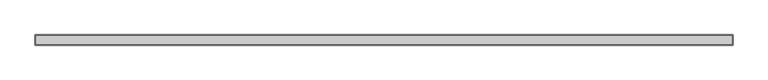
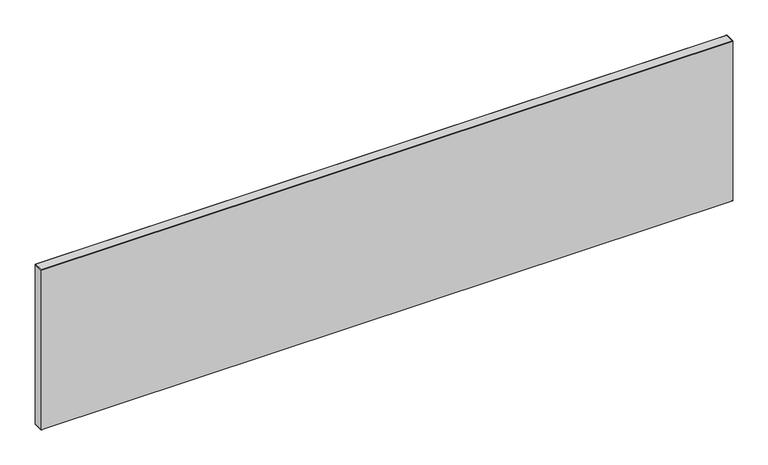
"""IFC4 building model written with IfcOpenShell, lengths in millimetres: furniture geometry."""

from ifc_helpers import new_model, si_unit, origin, place, context, project, spatial, triangles, source, transform, mapped, element, save


def furniture_2753c0be(model_context):
    return source(origin(), model_context, "Body", "Tessellation", [
        triangles([(1675.6379826, -0.762, 409.575), (1675.6379826, 0.0, 408.8129826), (0.762, 0.0, 408.8129826), (0.762, -0.762, 409.575), (0.762, -24.6379992, 409.575), (0.0, -0.762, 408.8129826), (0.0, -24.6379992, 408.8129826), (0.762, -25.4000008, 408.8129826), (1675.6379826, -25.4000008, 408.8129826), (1675.6379826, -24.6379992, 409.575), (0.762, -25.4000008, 0.762), (1675.6379826, -25.4000008, 0.762), (0.0, -24.6379992, 0.762), (0.0, -0.762, 0.762), (1675.6379826, 0.0, 0.762), (0.762, 0.0, 0.762), (1676.4, -0.762, 0.762), (1676.4, -0.762, 408.8129826), (1676.4, -24.6379992, 408.8129826), (1676.4, -24.6379992, 0.762), (1675.6379826, -24.6379992, 0.0), (1675.6379826, -0.762, 0.0), (0.762, -24.6379992, 0.0), (0.762, -0.762, 0.0)], [[1, 2, 3], [1, 3, 4], [5, 4, 6], [5, 6, 7], [5, 8, 9], [5, 9, 10], [11, 12, 9], [11, 9, 8], [13, 7, 6], [13, 6, 14], [15, 16, 3], [15, 3, 2], [17, 18, 19], [17, 19, 20], [21, 22, 17], [21, 17, 20], [21, 12, 11], [21, 11, 23], [24, 23, 13], [24, 13, 14], [24, 16, 15], [24, 15, 22], [19, 18, 1], [19, 1, 10], [10, 1, 4], [10, 4, 5], [3, 6, 4], [14, 6, 3], [14, 3, 16], [14, 16, 24], [23, 11, 13], [13, 11, 8], [13, 8, 7], [5, 7, 8], [15, 17, 22], [17, 15, 2], [17, 2, 18], [1, 18, 2], [21, 20, 12], [12, 20, 19], [12, 19, 9], [10, 9, 19]], closed=False),
    ])


if __name__ == "__main__":
    model = new_model("IFC4")
    model_context = context("Model", 3, world=origin())
    ifc_project = project(units=[si_unit("LENGTHUNIT", "METRE", prefix="MILLI")], contexts=[model_context])
    site = spatial("IfcSite", under=ifc_project)
    building = spatial("IfcBuilding", under=site)
    placement = place(None, origin())
    furniture_shape = furniture_2753c0be(model_context)
    element("IfcFurniture", 1, at=placement, inside=building, context=model_context, shape_type="MappedRepresentation", body=[
        mapped(furniture_shape, transform((0.0, 0.0, 0.0), x_axis=(1.0, 0.0, 0.0), y_axis=(0.0, 1.0, 0.0), z_axis=(0.0, 0.0, 1.0))),
    ])
    save(model, "model.ifc")
